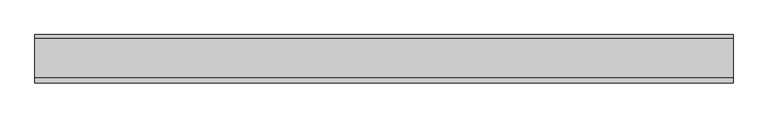
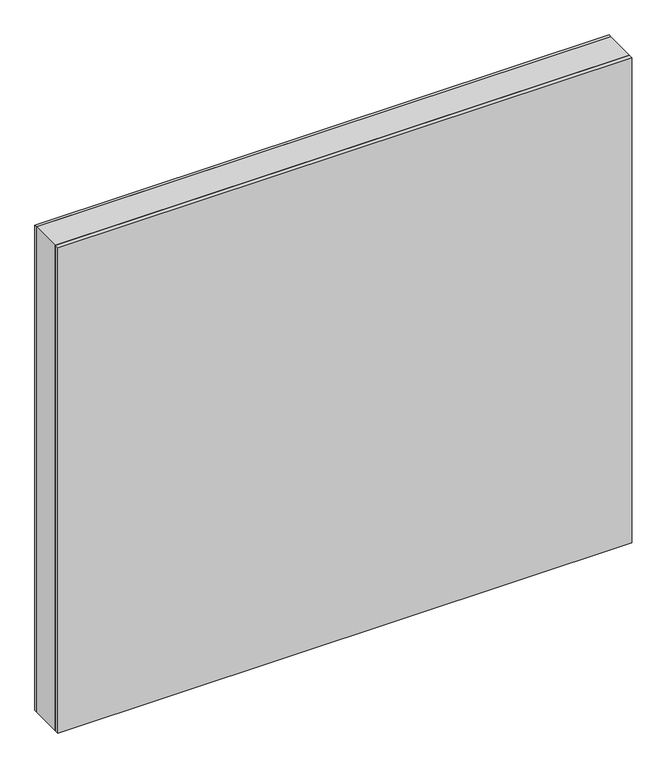
"""IFC4 building model written with IfcOpenShell, lengths in millimetres: plate geometry."""

from ifc_helpers import new_model, si_unit, frame, origin, origin_with_axes, place, context, project, spatial, polyline, outline, extrude, source, transform, mapped, element, save


def plate_9b378d9a(model_context):
    return source(origin(), model_context, "Body", "SweptSolid", [
        extrude(outline(polyline([(964.75, -539.6875001), (0.0, -539.6875001), (0.0, 539.6875001), (964.75, 539.6875001), (964.75, -539.6875001)]), holes=[polyline([(963.75, -538.6875001), (963.75, 538.6875001), (1.0, 538.6875001), (1.0, -538.6875001), (963.75, -538.6875001)])]), frame((0.0, -29.2, 0.0), z_axis=(0.0, 1.0, 0.0), x_axis=(0.0, 0.0, 1.0)), (0.0, 0.0, 1.0), 60.4),
        extrude(outline(polyline([(539.6875001, 31.2), (-539.6875001, 31.2), (-539.6875001, 37.2), (539.6875001, 37.2), (539.6875001, 31.2)])), origin_with_axes(), (0.0, 0.0, 1.0), 964.75),
        extrude(outline(polyline([(-539.6875001, -37.2), (-539.6875001, -29.2), (539.6875001, -29.2), (539.6875001, -37.2), (-539.6875001, -37.2)])), origin_with_axes(), (0.0, 0.0, 1.0), 964.75),
    ])


if __name__ == "__main__":
    model = new_model("IFC4")
    model_context = context("Model", 3, world=origin())
    ifc_project = project(units=[si_unit("LENGTHUNIT", "METRE", prefix="MILLI")], contexts=[model_context])
    site = spatial("IfcSite", under=ifc_project)
    building = spatial("IfcBuilding", under=site)
    placement = place(None, origin())
    plate_shape = plate_9b378d9a(model_context)
    element("IfcPlate", 1, at=placement, inside=building, context=model_context, shape_type="MappedRepresentation", body=[
        mapped(plate_shape, transform((0.0, 0.0, 0.0), x_axis=(1.0, 0.0, 0.0), y_axis=(0.0, 1.0, 0.0), z_axis=(0.0, 0.0, 1.0))),
    ])
    save(model, "model.ifc")
